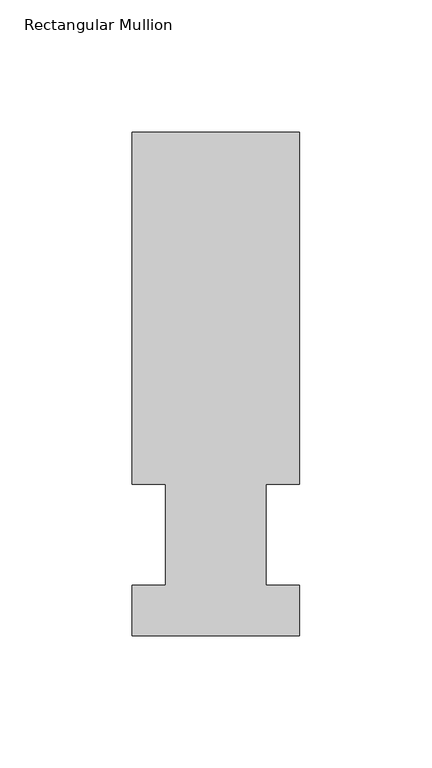
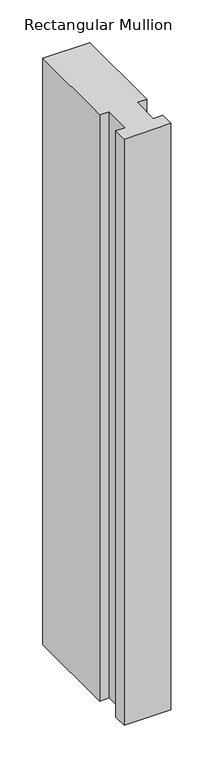
"""IFC4 building model written with IfcOpenShell, lengths in millimetres: member geometry, Rectangular Mullion."""

import ifcopenshell
import ifcopenshell.guid

model = None  # the IFC model being written
_history = None  # IfcOwnerHistory: only IFC2X3 demands one
_inside = {}  # id of a spatial element -> (the spatial element, [elements in it])
_under = {}  # id of a project, library or spatial element -> (it, [spatial elements below it])
_declared = {}  # id of a project -> (the project, [libraries it declares])
_typed = {}  # id of a type object -> (the type object, [elements of that type])
_made_of = {}  # id of a material, layer set ... -> (it, [elements and type objects made of it])


def new_model(schema):
    """Start an empty IFC model of exactly this schema.

    Asked for "IFC4X3", IfcOpenShell would pick the latest addendum, in which some entities
    have other attributes; the version numbers below select the first issue.
    IFC2X3 requires an IfcOwnerHistory on every rooted entity: one is made here for all.
    """
    global model, _history
    if schema == "IFC4X3":
        model = ifcopenshell.file(schema_version=(4, 3, 0, 0))
    else:
        model = ifcopenshell.file(schema=schema)
    _inside.clear()
    _under.clear()
    _declared.clear()
    _typed.clear()
    _made_of.clear()
    _history = None
    if model.schema == "IFC2X3":
        org = make("IfcOrganization", Name="unknown")
        user = make(
            "IfcPersonAndOrganization",
            ThePerson=make("IfcPerson", FamilyName="unknown"),
            TheOrganization=org,
        )
        app = make(
            "IfcApplication",
            ApplicationDeveloper=org,
            Version="unknown",
            ApplicationFullName="unknown",
            ApplicationIdentifier="unknown",
        )
        _history = make(
            "IfcOwnerHistory",
            OwningUser=user,
            OwningApplication=app,
            ChangeAction="ADDED",
            CreationDate=0,
        )
    return model


def make(cls, **values):
    """One entity of the class cls with the attributes given. An attribute that is None is left unset."""
    return model.create_entity(
        cls, **{name: value for name, value in values.items() if value is not None}
    )


def rooted(cls, **values):
    """An entity with a GlobalId (a new one), such as an element, a storey or a relation."""
    return make(cls, GlobalId=ifcopenshell.guid.new(), OwnerHistory=_history, **values)


def si_unit(unit_type, name, prefix=None):
    """IfcSIUnit, for example si_unit("LENGTHUNIT", "METRE", prefix="MILLI")."""
    return make("IfcSIUnit", UnitType=unit_type, Prefix=prefix, Name=name)


def assignment(units):
    """IfcUnitAssignment: the units of a project."""
    return None if units is None else make("IfcUnitAssignment", Units=units)


def point(xyz):
    """IfcCartesianPoint."""
    return None if xyz is None else make("IfcCartesianPoint", Coordinates=xyz)


def direction(xyz):
    """IfcDirection."""
    return None if xyz is None else make("IfcDirection", DirectionRatios=xyz)


def frame(location, z_axis=None, x_axis=None):
    """IfcAxis2Placement3D, a coordinate frame: its origin and axes. An axis left out is left unset."""
    return make(
        "IfcAxis2Placement3D",
        Location=point(location),
        Axis=direction(z_axis),
        RefDirection=direction(x_axis),
    )


def origin():
    """The frame at (0, 0, 0) with its axes left unset."""
    return frame((0.0, 0.0, 0.0))


def place(relative_to, where):
    """IfcLocalPlacement: puts the frame where relative to a parent placement (None: the world)."""
    return make(
        "IfcLocalPlacement", PlacementRelTo=relative_to, RelativePlacement=where
    )


def context(
    kind, dimensions, precision=None, world=None, true_north=None, identifier=None
):
    """IfcGeometricRepresentationContext, for example the 3D "Model" context."""
    return make(
        "IfcGeometricRepresentationContext",
        ContextIdentifier=identifier,
        ContextType=kind,
        CoordinateSpaceDimension=dimensions,
        Precision=precision,
        WorldCoordinateSystem=world,
        TrueNorth=true_north,
    )


def project(units=None, contexts=None):
    """IfcProject with its units and contexts."""
    return rooted(
        "IfcProject",
        Name="project",
        RepresentationContexts=contexts,
        UnitsInContext=assignment(units),
    )


def spatial(cls, under=None, at=None, **own):
    """A site, building, storey or space (cls), placed at a placement, below another one or the project."""
    s = rooted(cls, ObjectPlacement=at, **own)
    if under is not None:
        _under.setdefault(under.id(), (under, []))[1].append(s)
    return s


def polyline(points):
    """IfcPolyline through the points."""
    return make("IfcPolyline", Points=[point(p) for p in points])


def outline(outer, holes=None, kind="AREA"):
    """IfcArbitraryClosedProfileDef: a profile drawn as a closed curve; with holes, ...WithVoids."""
    if holes is None:
        return make("IfcArbitraryClosedProfileDef", ProfileType=kind, OuterCurve=outer)
    return make(
        "IfcArbitraryProfileDefWithVoids",
        ProfileType=kind,
        OuterCurve=outer,
        InnerCurves=holes,
    )


def extrude(swept, where, along, depth):
    """IfcExtrudedAreaSolid: the profile swept, set in the frame where, extruded along a direction by depth."""
    return make(
        "IfcExtrudedAreaSolid",
        SweptArea=swept,
        Position=where,
        ExtrudedDirection=direction(along),
        Depth=depth,
    )


def shape(context_of_items, identifier, shape_type, items):
    """IfcShapeRepresentation: the items that make up one representation, for example the "Body"."""
    return make(
        "IfcShapeRepresentation",
        ContextOfItems=context_of_items,
        RepresentationIdentifier=identifier,
        RepresentationType=shape_type,
        Items=items,
    )


def source(mapping_origin, context_of_items, identifier, shape_type, items):
    """IfcRepresentationMap: a shape defined once, which mapped items show again and again."""
    return make(
        "IfcRepresentationMap",
        MappingOrigin=mapping_origin,
        MappedRepresentation=shape(context_of_items, identifier, shape_type, items),
    )


def transform(
    local_origin,
    x_axis=None,
    y_axis=None,
    z_axis=None,
    scale=None,
    scale2=None,
    scale3=None,
    uniform=True,
):
    """IfcCartesianTransformationOperator3D, or its non-uniform kind. x_axis, y_axis, z_axis: its Axis1, 2, 3."""
    if uniform:
        return make(
            "IfcCartesianTransformationOperator3D",
            Axis1=direction(x_axis),
            Axis2=direction(y_axis),
            LocalOrigin=point(local_origin),
            Scale=scale,
            Axis3=direction(z_axis),
        )
    return make(
        "IfcCartesianTransformationOperator3DnonUniform",
        Axis1=direction(x_axis),
        Axis2=direction(y_axis),
        LocalOrigin=point(local_origin),
        Scale=scale,
        Axis3=direction(z_axis),
        Scale2=scale2,
        Scale3=scale3,
    )


def mapped(mapping_source, mapping_target):
    """IfcMappedItem: shows the shape of a source again, moved by a transform."""
    return make(
        "IfcMappedItem", MappingSource=mapping_source, MappingTarget=mapping_target
    )


def made_of(thing, what):
    """Note that an element or type object is made of a material, layer set ...; save() writes the relation."""
    if what is not None:
        _made_of.setdefault(what.id(), (what, []))[1].append(thing)
    return thing


def element(
    cls,
    number,
    at=None,
    inside=None,
    cuts=None,
    type_object=None,
    material=None,
    context=None,
    identifier="Body",
    shape_type=None,
    held_by="IfcProductDefinitionShape",
    body=None,
    shapes=None,
    **own,
):
    """One element of the class cls, such as IfcWall. Its Tag is "e" and its number.

    at: its placement. inside: the storey or other place that contains it. cuts: it is an
    opening in that element (IfcRelVoidsElement). A single representation is given by context,
    identifier, shape_type and body (its items); several are given by shapes. held_by: the class
    of the entity that holds the representations. save() writes the other relations.
    """
    e = rooted(cls, Tag="e%d" % number, ObjectPlacement=at, **own)
    if body is not None:
        shapes = [shape(context, identifier, shape_type, body)]
    if shapes is not None:
        e.Representation = make(held_by, Representations=shapes)
    if inside is not None:
        _inside.setdefault(inside.id(), (inside, []))[1].append(e)
    if cuts is not None:
        rooted(
            "IfcRelVoidsElement", RelatingBuildingElement=cuts, RelatedOpeningElement=e
        )
    if type_object is not None:
        _typed.setdefault(type_object.id(), (type_object, []))[1].append(e)
    return made_of(e, material)


def aggregate(whole, parts):
    """IfcRelAggregates: a whole, such as a stair, and the parts it consists of."""
    return rooted("IfcRelAggregates", RelatingObject=whole, RelatedObjects=parts)


def save(model, path):
    """Write the relations noted so far, then the file.

    IfcRelAggregates (storeys below a building ...), IfcRelContainedInSpatialStructure (elements
    in a storey), IfcRelDefinesByType, IfcRelAssociatesMaterial and IfcRelDeclares: one each for
    every whole, place, type object, material and project.
    """
    for whole, parts in _under.values():
        aggregate(whole, parts)
    for where, things in _inside.values():
        rooted(
            "IfcRelContainedInSpatialStructure",
            RelatedElements=things,
            RelatingStructure=where,
        )
    for kind, things in _typed.values():
        rooted("IfcRelDefinesByType", RelatedObjects=things, RelatingType=kind)
    for what, things in _made_of.values():
        rooted("IfcRelAssociatesMaterial", RelatedObjects=things, RelatingMaterial=what)
    for by, libraries in _declared.values():
        rooted("IfcRelDeclares", RelatingContext=by, RelatedDefinitions=libraries)
    model.write(path)


def rectangular_mullion_dbee7b87(model_context):
    return source(origin(), model_context, "Body", "SweptSolid", [
        extrude(outline(polyline([(31.75, 190.5), (31.75, 57.15), (19.0500001, 57.15), (19.0500001, 19.05), (31.7500005, 19.05), (31.7500005, -0.0137627), (-31.7499995, -0.0137627), (-31.7499995, 19.05), (-19.0500001, 19.05), (-19.0500001, 57.15), (-31.7500006, 57.15), (-31.7500006, 190.5), (31.75, 190.5)])), frame((0.0, 0.0, -838.2), z_axis=(0.0, 0.0, 1.0), x_axis=(1.0, 0.0, 0.0)), (0.0, 0.0, 1.0), 838.2),
    ])


if __name__ == "__main__":
    model = new_model("IFC4")
    model_context = context("Model", 3, world=origin())
    ifc_project = project(units=[si_unit("LENGTHUNIT", "METRE", prefix="MILLI")], contexts=[model_context])
    site = spatial("IfcSite", under=ifc_project)
    building = spatial("IfcBuilding", under=site)
    placement = place(None, origin())
    rectangular_mullion_shape = rectangular_mullion_dbee7b87(model_context)
    element("IfcMember", 1, ObjectType="Rectangular Mullion", at=placement, inside=building, context=model_context, shape_type="MappedRepresentation", body=[
        mapped(rectangular_mullion_shape, transform((0.0, 0.0, 0.0), x_axis=(1.0, 0.0, 0.0), y_axis=(0.0, 1.0, 0.0), z_axis=(0.0, 0.0, 1.0))),
    ])
    save(model, "model.ifc")
